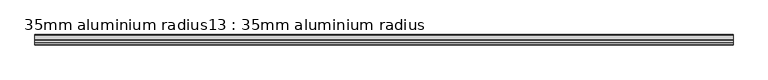
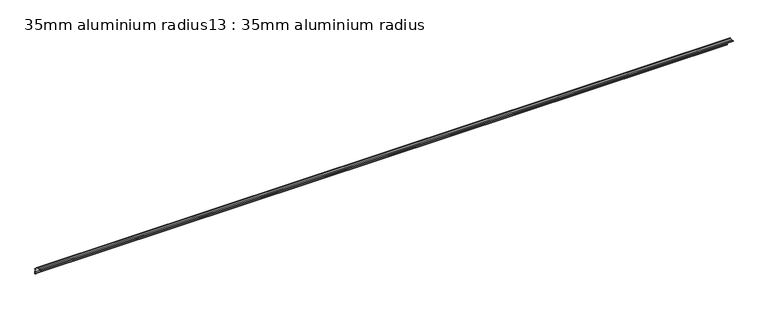
"""IFC4 building model written with IfcOpenShell, lengths in millimetres: proxy geometry, 35mm aluminium radius13 : 35mm aluminium radius."""

import ifcopenshell
import ifcopenshell.guid

model = None  # the IFC model being written
_history = None  # IfcOwnerHistory: only IFC2X3 demands one
_inside = {}  # id of a spatial element -> (the spatial element, [elements in it])
_under = {}  # id of a project, library or spatial element -> (it, [spatial elements below it])
_declared = {}  # id of a project -> (the project, [libraries it declares])
_typed = {}  # id of a type object -> (the type object, [elements of that type])
_made_of = {}  # id of a material, layer set ... -> (it, [elements and type objects made of it])


def new_model(schema):
    """Start an empty IFC model of exactly this schema.

    Asked for "IFC4X3", IfcOpenShell would pick the latest addendum, in which some entities
    have other attributes; the version numbers below select the first issue.
    IFC2X3 requires an IfcOwnerHistory on every rooted entity: one is made here for all.
    """
    global model, _history
    if schema == "IFC4X3":
        model = ifcopenshell.file(schema_version=(4, 3, 0, 0))
    else:
        model = ifcopenshell.file(schema=schema)
    _inside.clear()
    _under.clear()
    _declared.clear()
    _typed.clear()
    _made_of.clear()
    _history = None
    if model.schema == "IFC2X3":
        org = make("IfcOrganization", Name="unknown")
        user = make(
            "IfcPersonAndOrganization",
            ThePerson=make("IfcPerson", FamilyName="unknown"),
            TheOrganization=org,
        )
        app = make(
            "IfcApplication",
            ApplicationDeveloper=org,
            Version="unknown",
            ApplicationFullName="unknown",
            ApplicationIdentifier="unknown",
        )
        _history = make(
            "IfcOwnerHistory",
            OwningUser=user,
            OwningApplication=app,
            ChangeAction="ADDED",
            CreationDate=0,
        )
    return model


def make(cls, **values):
    """One entity of the class cls with the attributes given. An attribute that is None is left unset."""
    return model.create_entity(
        cls, **{name: value for name, value in values.items() if value is not None}
    )


def rooted(cls, **values):
    """An entity with a GlobalId (a new one), such as an element, a storey or a relation."""
    return make(cls, GlobalId=ifcopenshell.guid.new(), OwnerHistory=_history, **values)


def si_unit(unit_type, name, prefix=None):
    """IfcSIUnit, for example si_unit("LENGTHUNIT", "METRE", prefix="MILLI")."""
    return make("IfcSIUnit", UnitType=unit_type, Prefix=prefix, Name=name)


def assignment(units):
    """IfcUnitAssignment: the units of a project."""
    return None if units is None else make("IfcUnitAssignment", Units=units)


def point(xyz):
    """IfcCartesianPoint."""
    return None if xyz is None else make("IfcCartesianPoint", Coordinates=xyz)


def direction(xyz):
    """IfcDirection."""
    return None if xyz is None else make("IfcDirection", DirectionRatios=xyz)


def frame(location, z_axis=None, x_axis=None):
    """IfcAxis2Placement3D, a coordinate frame: its origin and axes. An axis left out is left unset."""
    return make(
        "IfcAxis2Placement3D",
        Location=point(location),
        Axis=direction(z_axis),
        RefDirection=direction(x_axis),
    )


def frame_2d(location, x_axis=None):
    """IfcAxis2Placement2D, a coordinate frame in the plane: its origin and x axis."""
    return make(
        "IfcAxis2Placement2D", Location=point(location), RefDirection=direction(x_axis)
    )


def origin():
    """The frame at (0, 0, 0) with its axes left unset."""
    return frame((0.0, 0.0, 0.0))


def place(relative_to, where):
    """IfcLocalPlacement: puts the frame where relative to a parent placement (None: the world)."""
    return make(
        "IfcLocalPlacement", PlacementRelTo=relative_to, RelativePlacement=where
    )


def context(
    kind, dimensions, precision=None, world=None, true_north=None, identifier=None
):
    """IfcGeometricRepresentationContext, for example the 3D "Model" context."""
    return make(
        "IfcGeometricRepresentationContext",
        ContextIdentifier=identifier,
        ContextType=kind,
        CoordinateSpaceDimension=dimensions,
        Precision=precision,
        WorldCoordinateSystem=world,
        TrueNorth=true_north,
    )


def project(units=None, contexts=None):
    """IfcProject with its units and contexts."""
    return rooted(
        "IfcProject",
        Name="project",
        RepresentationContexts=contexts,
        UnitsInContext=assignment(units),
    )


def spatial(cls, under=None, at=None, **own):
    """A site, building, storey or space (cls), placed at a placement, below another one or the project."""
    s = rooted(cls, ObjectPlacement=at, **own)
    if under is not None:
        _under.setdefault(under.id(), (under, []))[1].append(s)
    return s


def polyline(points):
    """IfcPolyline through the points."""
    return make("IfcPolyline", Points=[point(p) for p in points])


def circle_curve(where, radius):
    """IfcCircle in the frame where."""
    return make("IfcCircle", Position=where, Radius=radius)


def trimmed(basis, trim1, trim2, sense, master):
    """IfcTrimmedCurve: the piece of a basis curve between two trims."""
    return make(
        "IfcTrimmedCurve",
        BasisCurve=basis,
        Trim1=trim1,
        Trim2=trim2,
        SenseAgreement=sense,
        MasterRepresentation=master,
    )


def segment(curve, same_sense, transition):
    """IfcCompositeCurveSegment."""
    return make(
        "IfcCompositeCurveSegment",
        Transition=transition,
        SameSense=same_sense,
        ParentCurve=curve,
    )


def composite_curve(segments, self_intersect=None):
    """IfcCompositeCurve: segments joined end to end."""
    return make("IfcCompositeCurve", Segments=segments, SelfIntersect=self_intersect)


def outline(outer, holes=None, kind="AREA"):
    """IfcArbitraryClosedProfileDef: a profile drawn as a closed curve; with holes, ...WithVoids."""
    if holes is None:
        return make("IfcArbitraryClosedProfileDef", ProfileType=kind, OuterCurve=outer)
    return make(
        "IfcArbitraryProfileDefWithVoids",
        ProfileType=kind,
        OuterCurve=outer,
        InnerCurves=holes,
    )


def extrude(swept, where, along, depth):
    """IfcExtrudedAreaSolid: the profile swept, set in the frame where, extruded along a direction by depth."""
    return make(
        "IfcExtrudedAreaSolid",
        SweptArea=swept,
        Position=where,
        ExtrudedDirection=direction(along),
        Depth=depth,
    )


def shape(context_of_items, identifier, shape_type, items):
    """IfcShapeRepresentation: the items that make up one representation, for example the "Body"."""
    return make(
        "IfcShapeRepresentation",
        ContextOfItems=context_of_items,
        RepresentationIdentifier=identifier,
        RepresentationType=shape_type,
        Items=items,
    )


def source(mapping_origin, context_of_items, identifier, shape_type, items):
    """IfcRepresentationMap: a shape defined once, which mapped items show again and again."""
    return make(
        "IfcRepresentationMap",
        MappingOrigin=mapping_origin,
        MappedRepresentation=shape(context_of_items, identifier, shape_type, items),
    )


def transform(
    local_origin,
    x_axis=None,
    y_axis=None,
    z_axis=None,
    scale=None,
    scale2=None,
    scale3=None,
    uniform=True,
):
    """IfcCartesianTransformationOperator3D, or its non-uniform kind. x_axis, y_axis, z_axis: its Axis1, 2, 3."""
    if uniform:
        return make(
            "IfcCartesianTransformationOperator3D",
            Axis1=direction(x_axis),
            Axis2=direction(y_axis),
            LocalOrigin=point(local_origin),
            Scale=scale,
            Axis3=direction(z_axis),
        )
    return make(
        "IfcCartesianTransformationOperator3DnonUniform",
        Axis1=direction(x_axis),
        Axis2=direction(y_axis),
        LocalOrigin=point(local_origin),
        Scale=scale,
        Axis3=direction(z_axis),
        Scale2=scale2,
        Scale3=scale3,
    )


def mapped(mapping_source, mapping_target):
    """IfcMappedItem: shows the shape of a source again, moved by a transform."""
    return make(
        "IfcMappedItem", MappingSource=mapping_source, MappingTarget=mapping_target
    )


def made_of(thing, what):
    """Note that an element or type object is made of a material, layer set ...; save() writes the relation."""
    if what is not None:
        _made_of.setdefault(what.id(), (what, []))[1].append(thing)
    return thing


def element(
    cls,
    number,
    at=None,
    inside=None,
    cuts=None,
    type_object=None,
    material=None,
    context=None,
    identifier="Body",
    shape_type=None,
    held_by="IfcProductDefinitionShape",
    body=None,
    shapes=None,
    **own,
):
    """One element of the class cls, such as IfcWall. Its Tag is "e" and its number.

    at: its placement. inside: the storey or other place that contains it. cuts: it is an
    opening in that element (IfcRelVoidsElement). A single representation is given by context,
    identifier, shape_type and body (its items); several are given by shapes. held_by: the class
    of the entity that holds the representations. save() writes the other relations.
    """
    e = rooted(cls, Tag="e%d" % number, ObjectPlacement=at, **own)
    if body is not None:
        shapes = [shape(context, identifier, shape_type, body)]
    if shapes is not None:
        e.Representation = make(held_by, Representations=shapes)
    if inside is not None:
        _inside.setdefault(inside.id(), (inside, []))[1].append(e)
    if cuts is not None:
        rooted(
            "IfcRelVoidsElement", RelatingBuildingElement=cuts, RelatedOpeningElement=e
        )
    if type_object is not None:
        _typed.setdefault(type_object.id(), (type_object, []))[1].append(e)
    return made_of(e, material)


def aggregate(whole, parts):
    """IfcRelAggregates: a whole, such as a stair, and the parts it consists of."""
    return rooted("IfcRelAggregates", RelatingObject=whole, RelatedObjects=parts)


def save(model, path):
    """Write the relations noted so far, then the file.

    IfcRelAggregates (storeys below a building ...), IfcRelContainedInSpatialStructure (elements
    in a storey), IfcRelDefinesByType, IfcRelAssociatesMaterial and IfcRelDeclares: one each for
    every whole, place, type object, material and project.
    """
    for whole, parts in _under.values():
        aggregate(whole, parts)
    for where, things in _inside.values():
        rooted(
            "IfcRelContainedInSpatialStructure",
            RelatedElements=things,
            RelatingStructure=where,
        )
    for kind, things in _typed.values():
        rooted("IfcRelDefinesByType", RelatedObjects=things, RelatingType=kind)
    for what, things in _made_of.values():
        rooted("IfcRelAssociatesMaterial", RelatedObjects=things, RelatingMaterial=what)
    for by, libraries in _declared.values():
        rooted("IfcRelDeclares", RelatingContext=by, RelatedDefinitions=libraries)
    model.write(path)


def proxy_35mm_aluminium_radius13_35mm_aluminium_radius_8916910a(model_context):
    return source(origin(), model_context, "Body", "SweptSolid", [
        extrude(outline(composite_curve([segment(trimmed(circle_curve(frame_2d((-10438.2686651, 1427.0527479)), 1.2042709), [point((-10439.0519613, 1426.1380265))], [point((-10437.998389, 1425.8791981))], True, "CARTESIAN"), True, "CONTINUOUS"), segment(polyline([(-10437.998389, 1425.8791981), (-10431.2901253, 1425.9291528)]), True, "CONTINUOUS"), segment(trimmed(circle_curve(frame_2d((-10431.0935371, 1399.5298847)), 26.4), [point((-10431.2901253, 1425.9291528))], [point((-10423.2811038, 1424.7474557))], False, "CARTESIAN"), True, "CONTINUOUS"), segment(polyline([(-10423.2811038, 1424.7474557), (-10423.2933258, 1426.3887139), (-10421.8933646, 1426.399139), (-10421.8775021, 1424.2690177)]), True, "CONTINUOUS"), segment(trimmed(circle_curve(frame_2d((-10431.0935371, 1399.5298847)), 26.4), [point((-10421.8775021, 1424.2690177))], [point((-10406.4943988, 1409.1133286))], False, "CARTESIAN"), True, "CONTINUOUS"), segment(polyline([(-10406.4943988, 1409.1133286), (-10404.3642775, 1409.129191), (-10404.3538523, 1407.7292298), (-10405.9951105, 1407.7170078)]), True, "CONTINUOUS"), segment(trimmed(circle_curve(frame_2d((-10431.0935371, 1399.5298847)), 26.4), [point((-10405.9951105, 1407.7170078))], [point((-10404.694269, 1399.726473))], False, "CARTESIAN"), True, "CONTINUOUS"), segment(polyline([(-10404.694269, 1399.726473), (-10404.6470112, 1393.3803569)]), True, "CONTINUOUS"), segment(trimmed(circle_curve(frame_2d((-10401.7941924, 1393.207402)), 2.8580567), [point((-10404.6470112, 1393.3803569))], [point((-10404.3698242, 1391.9686085))], True, "CARTESIAN"), True, "CONTINUOUS"), segment(trimmed(circle_curve(frame_2d((-10404.7339494, 1391.6259529)), 0.5), [point((-10404.3698242, 1391.9686085))], [point((-10405.0644136, 1391.2507284))], False, "CARTESIAN"), True, "CONTINUOUS"), segment(trimmed(circle_curve(frame_2d((-10403.0476469, 1393.471686)), 3.0), [point((-10405.0644136, 1391.2507284))], [point((-10406.0475638, 1393.4493464))], False, "CARTESIAN"), True, "CONTINUOUS"), segment(polyline([(-10406.0475638, 1393.4493464), (-10406.0942302, 1399.7160479)]), True, "CONTINUOUS"), segment(trimmed(circle_curve(frame_2d((-10431.0935371, 1399.5298847)), 25.0), [point((-10406.0942302, 1399.7160479))], [point((-10431.2797002, 1424.5291916))], True, "CARTESIAN"), True, "CONTINUOUS"), segment(polyline([(-10431.2797002, 1424.5291916), (-10437.5464017, 1424.4825251)]), True, "CONTINUOUS"), segment(trimmed(circle_curve(frame_2d((-10437.5687413, 1427.482442)), 3.0), [point((-10437.5464017, 1424.4825251))], [point((-10439.7469194, 1425.4195459))], False, "CARTESIAN"), True, "CONTINUOUS"), segment(trimmed(circle_curve(frame_2d((-10439.3891561, 1425.7688387)), 0.5), [point((-10439.7469194, 1425.4195459))], [point((-10439.0519613, 1426.1380265))], False, "CARTESIAN"), True, "CONTINUOUS")], self_intersect=False)), frame((-5219.6640929, 0.0, 0.0), z_axis=(1.0, 0.0, 0.0), x_axis=(0.0, 1.0, 0.0)), (0.0, 0.0, 1.0), 2400.0),
    ])


if __name__ == "__main__":
    model = new_model("IFC4")
    model_context = context("Model", 3, world=origin())
    ifc_project = project(units=[si_unit("LENGTHUNIT", "METRE", prefix="MILLI")], contexts=[model_context])
    site = spatial("IfcSite", under=ifc_project)
    building = spatial("IfcBuilding", under=site)
    placement = place(None, origin())
    proxy_35mm_aluminium_radius13_35mm_aluminium_radius_shape = proxy_35mm_aluminium_radius13_35mm_aluminium_radius_8916910a(model_context)
    element("IfcBuildingElementProxy", 1, Name="35mm aluminium radius13 : 35mm aluminium radius", ObjectType="35mm aluminium radius13 : 35mm aluminium radius", at=placement, inside=building, context=model_context, shape_type="MappedRepresentation", body=[
        mapped(proxy_35mm_aluminium_radius13_35mm_aluminium_radius_shape, transform((0.0, 0.0, 0.0), x_axis=(1.0, 0.0, 0.0), y_axis=(0.0, 1.0, 0.0), z_axis=(0.0, 0.0, 1.0))),
    ])
    save(model, "model.ifc")
